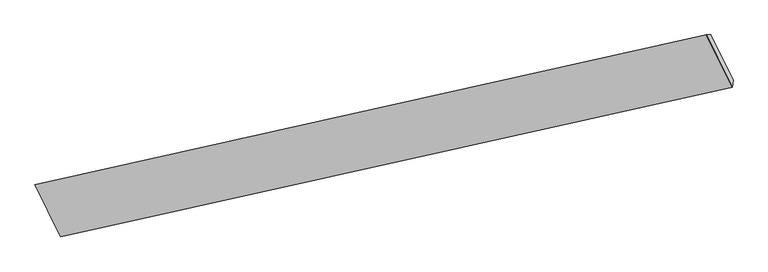
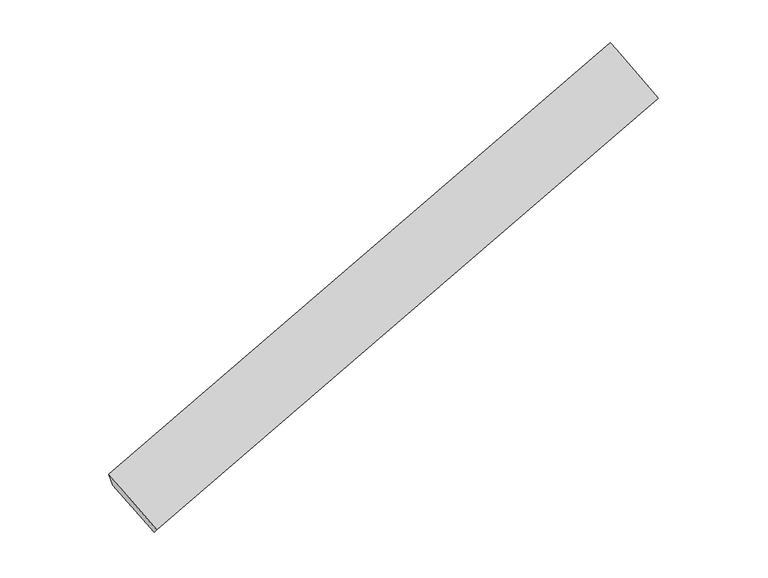
"""IFC4 building model written with IfcOpenShell, lengths in millimetres: proxy geometry."""

from ifc_helpers import new_model, si_unit, frame, origin, place, context, project, spatial, source, transform, mapped, element, save
from ifc_brep_helpers import plane_surface, spline_surface, advanced_brep


def generic_models_130dacb9(model_context):
    return source(origin(), model_context, "Body", "AdvancedBrep", [
        advanced_brep(
        [(-9298.94939, -3529.0918001, -721.1288623), (-9732.5998115, -2599.5509676, 31.1917476), (3720.8133019, 382.9198306, 4190.2802524), (4165.7566464, -523.6320311, 3413.2872191), (-9779.3553361, -2608.8114842, 191.3548023), (3674.3934431, 382.9931213, 4340.1116941), (-9826.1108608, -2618.0720009, 351.517857), (3627.9735844, 383.0664121, 4489.9431358), (-9313.1719218, -3663.9825758, -577.0482179), (4151.0577092, -663.0411796, 3562.194065), (-9306.0606559, -3596.537188, -649.0885401), (4158.4071778, -593.3366053, 3487.7406421)],
        [
            (0, 1),
            (1, 2),
            (2, 3),
            (3, 0),
            (1, 4),
            (4, 5),
            (5, 2),
            (4, 6),
            (6, 7),
            (7, 5),
            (6, 8),
            (8, 9),
            (9, 7),
            (8, 10),
            (10, 11),
            (11, 9),
            (10, 0),
            (3, 11),
        ],
        [
            spline_surface(1, 1, [[(-9298.94939, -3529.0918001, -721.1288623), (4165.7566464, -523.6320311, 3413.2872191)], [(-9732.5998115, -2599.5509676, 31.1917476), (3720.8133019, 382.9198306, 4190.2802524)]], [2, 2], [2, 2], [0.0, 1.0], [0.0, 1.0]),
            spline_surface(1, 1, [[(-9732.5998115, -2599.5509676, 31.1917476), (3720.8133019, 382.9198306, 4190.2802524)], [(-9779.3553361, -2608.8114842, 191.3548023), (3674.3934431, 382.9931213, 4340.1116941)]], [2, 2], [2, 2], [0.0, 1.0], [0.0, 1.0]),
            spline_surface(1, 1, [[(-9779.3553361, -2608.8114842, 191.3548023), (3674.3934431, 382.9931213, 4340.1116941)], [(-9826.1108608, -2618.0720009, 351.517857), (3627.9735844, 383.0664121, 4489.9431358)]], [2, 2], [2, 2], [0.0, 1.0], [0.0, 1.0]),
            spline_surface(1, 1, [[(-9826.1108608, -2618.0720009, 351.517857), (3627.9735844, 383.0664121, 4489.9431358)], [(-9313.1719218, -3663.9825758, -577.0482179), (4151.0577092, -663.0411796, 3562.194065)]], [2, 2], [2, 2], [0.0, 1.0], [0.0, 1.0]),
            plane_surface(frame((-9309.6162888, -3630.2598819, -613.068379), z_axis=(0.34763016019337045, -0.7013513520801725, -0.6223018179784192), x_axis=(0.07187403398939496, 0.6816749874918279, -0.7281162919933242))),
            plane_surface(frame((-9302.5050229, -3562.814494, -685.1087012), z_axis=(0.34763016019337045, -0.7013513520801726, -0.6223018179784192), x_axis=(0.07187403398939496, 0.6816749874918279, -0.7281162919933242))),
            plane_surface(frame((3916.4003105, -105.171742, 3913.9261681), z_axis=(0.9338431603933537, 0.2104563061392271, 0.2892146175295863), x_axis=(0.07187403398939496, 0.6816749874918279, -0.7281162919933242))),
            plane_surface(frame((-9542.707996, -3102.6743361, -228.8668689), z_axis=(-0.9360976314190337, -0.20590385661161373, -0.2851750800545849), x_axis=(-0.07187403398939302, -0.6816749874918299, 0.7281162919933224))),
        ],
        [
            (0, [[1, 2, 3, 4]]),
            (1, [[5, 6, 7, -2]]),
            (2, [[8, 9, 10, -6]]),
            (3, [[11, 12, 13, -9]]),
            (4, [[14, 15, 16, -12]]),
            (5, [[17, -4, 18, -15]]),
            (6, [[-16, -18, -3, -7, -10, -13]]),
            (7, [[-17, -14, -11, -8, -5, -1]]),
        ],
    ),
    ])


if __name__ == "__main__":
    model = new_model("IFC4")
    model_context = context("Model", 3, world=origin())
    ifc_project = project(units=[si_unit("LENGTHUNIT", "METRE", prefix="MILLI")], contexts=[model_context])
    site = spatial("IfcSite", under=ifc_project)
    building = spatial("IfcBuilding", under=site)
    placement = place(None, origin())
    generic_models_shape = generic_models_130dacb9(model_context)
    element("IfcBuildingElementProxy", 1, Name="Generic Models", at=placement, inside=building, context=model_context, shape_type="MappedRepresentation", body=[
        mapped(generic_models_shape, transform((0.0, 0.0, 0.0), x_axis=(1.0, 0.0, 0.0), y_axis=(0.0, 1.0, 0.0), z_axis=(0.0, 0.0, 1.0))),
    ])
    save(model, "model.ifc")
